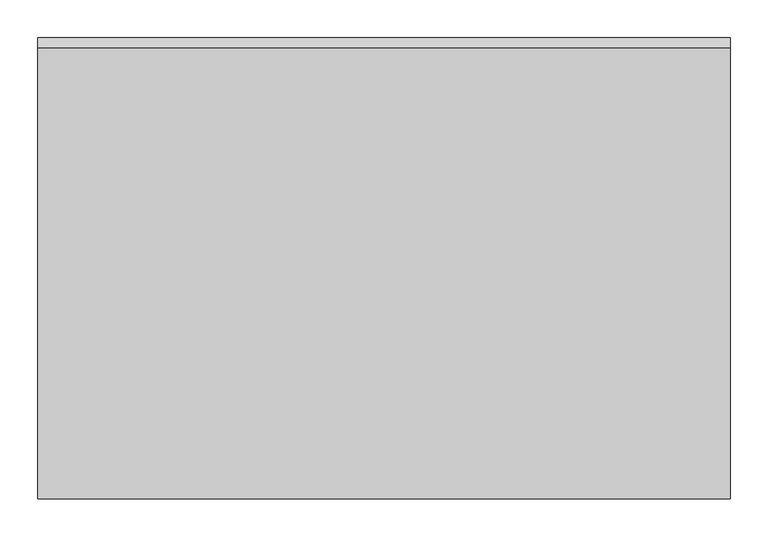
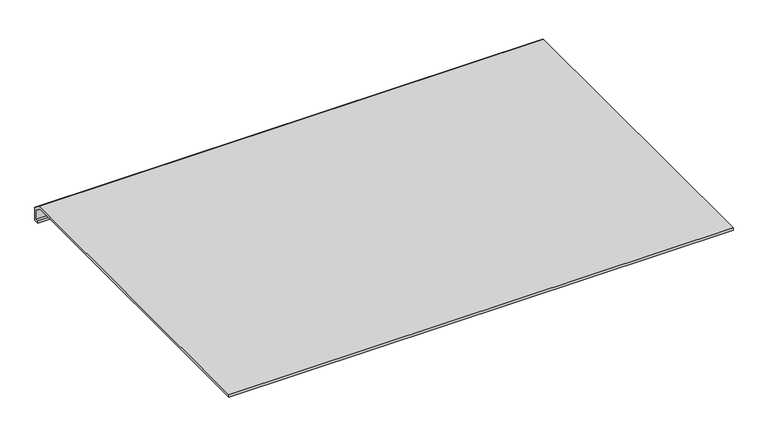
"""IFC4 building model written with IfcOpenShell, lengths in millimetres: furniture geometry."""

from ifc_helpers import new_model, si_unit, frame, origin, place, context, project, spatial, polyline, outline, extrude, source, transform, mapped, element, save


def furniture_33e03ec0(model_context):
    return source(origin(), model_context, "Body", "SweptSolid", [
        extrude(outline(polyline([(592.5968004, 736.8979469), (597.0693135, 736.8979469), (597.0693135, 753.5672056), (585.9028639, 762.2413128), (-7.6050169, 762.2413128), (-7.6050169, 767.0038128), (588.5857065, 767.0038128), (601.9949831, 756.5662454), (601.9949831, 731.9010136), (592.5968004, 731.9010136), (592.5968004, 736.8979469)])), frame((-12.7, 0.0, 0.0), z_axis=(1.0, 0.0, 0.0), x_axis=(0.0, 1.0, 0.0)), (0.0, 0.0, 1.0), 914.4),
    ])


if __name__ == "__main__":
    model = new_model("IFC4")
    model_context = context("Model", 3, world=origin())
    ifc_project = project(units=[si_unit("LENGTHUNIT", "METRE", prefix="MILLI")], contexts=[model_context])
    site = spatial("IfcSite", under=ifc_project)
    building = spatial("IfcBuilding", under=site)
    placement = place(None, origin())
    furniture_shape = furniture_33e03ec0(model_context)
    element("IfcFurniture", 1, at=placement, inside=building, context=model_context, shape_type="MappedRepresentation", body=[
        mapped(furniture_shape, transform((0.0, 0.0, 0.0), x_axis=(1.0, 0.0, 0.0), y_axis=(0.0, 1.0, 0.0), z_axis=(0.0, 0.0, 1.0))),
    ])
    save(model, "model.ifc")
